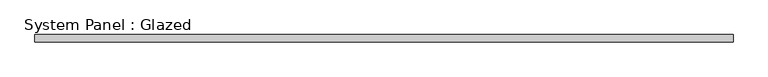
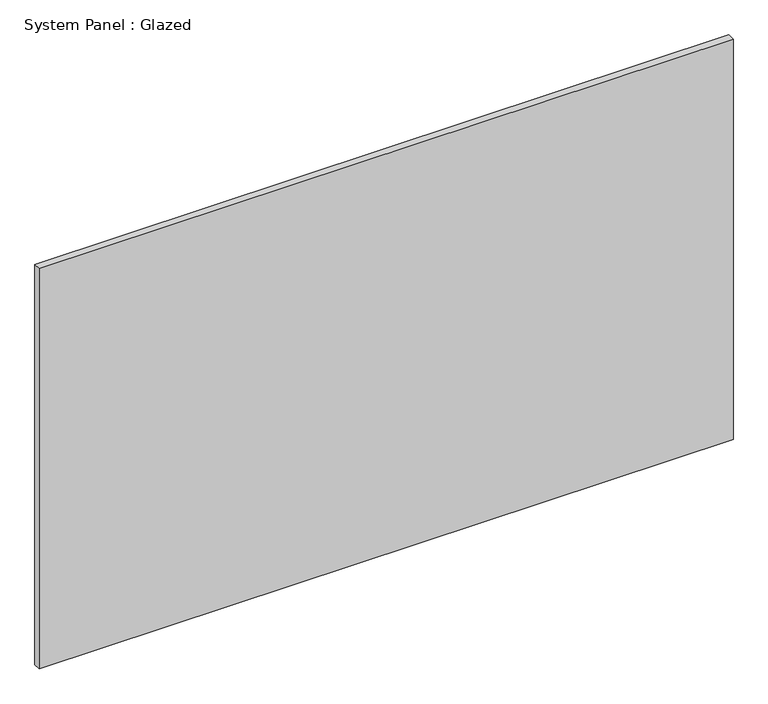
"""IFC4 building model written with IfcOpenShell, lengths in millimetres: plate geometry, System Panel : Glazed."""

from ifc_helpers import new_model, si_unit, origin, origin_with_axes, place, context, project, spatial, polyline, outline, extrude, source, transform, mapped, element, save


def system_panel_glazed_ddd88ac4(model_context):
    return source(origin(), model_context, "Body", "SweptSolid", [
        extrude(outline(polyline([(1196.6516214, 19.05), (-1196.6516214, 19.05), (-1196.6516214, 44.45), (1196.6516214, 44.45), (1196.6516214, 19.05)])), origin_with_axes(), (0.0, 0.0, 1.0), 1460.5),
    ])


if __name__ == "__main__":
    model = new_model("IFC4")
    model_context = context("Model", 3, world=origin())
    ifc_project = project(units=[si_unit("LENGTHUNIT", "METRE", prefix="MILLI")], contexts=[model_context])
    site = spatial("IfcSite", under=ifc_project)
    building = spatial("IfcBuilding", under=site)
    placement = place(None, origin())
    system_panel_glazed_shape = system_panel_glazed_ddd88ac4(model_context)
    element("IfcPlate", 1, ObjectType="System Panel : Glazed", at=placement, inside=building, context=model_context, shape_type="MappedRepresentation", body=[
        mapped(system_panel_glazed_shape, transform((0.0, 0.0, 0.0), x_axis=(1.0, 0.0, 0.0), y_axis=(0.0, 1.0, 0.0), z_axis=(0.0, 0.0, 1.0))),
    ])
    save(model, "model.ifc")
